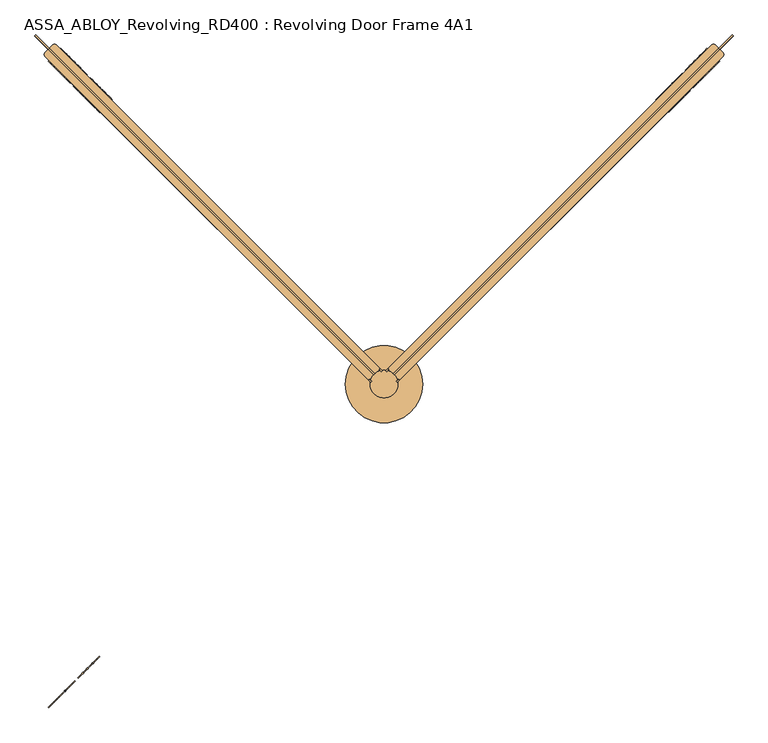
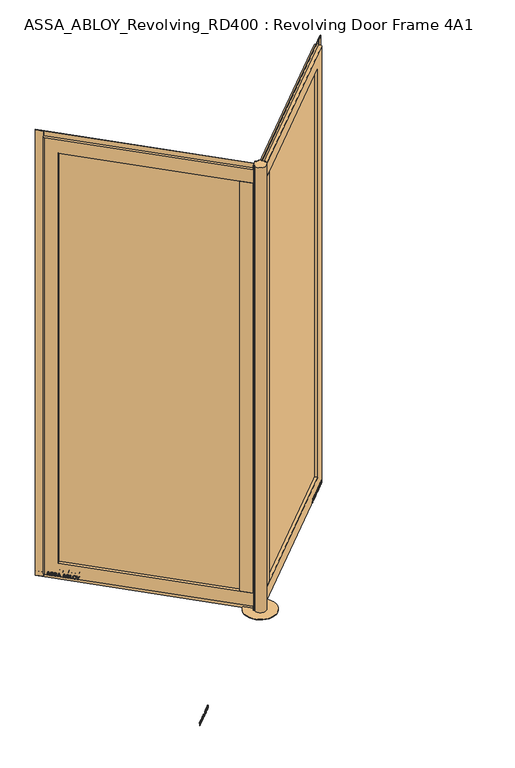
"""IFC4 building model written with IfcOpenShell, lengths in millimetres: door geometry, ASSA_ABLOY_Revolving_RD400 : Revolving Door Frame 4A1."""

from ifc_helpers import new_model, si_unit, point, frame, origin, origin_with_axes, origin_2d, place, context, project, spatial, polyline, circle_curve, trimmed, segment, composite_curve, outline, extrude, source, transform, mapped, element, save
from ifc_brep_helpers import plane_surface, cylinder_surface, advanced_brep


def assa_abloy_revolving_rd400_revolving_door_frame_4a1_31e0a1ad(model_context):
    return source(origin(), model_context, "Body", "SolidModel", [
        extrude(outline(polyline([(21.1919362, 0.0), (20.214336, -2.6529929), (14.2348715, -2.5853724), (11.2716326, -10.6269535), (15.8652682, -14.4554102), (14.8894584, -17.1035442), (-1.2354289, -3.3526834), (0.0, 0.0), (21.1919362, 0.0)]), holes=[polyline([(11.7626281, -2.5849675), (1.6611384, -2.5160752), (9.3848751, -9.0376682), (11.7626281, -2.5849675)])]), frame((-699.037246, -670.7529748, 47.8848654), z_axis=(-0.707106781186544, 0.7071067811865511, 0.0), x_axis=(-0.2444906386007998, -0.2444906386007974, -0.9383222555567716)), (0.0, 0.0, 1.0), 2.0),
        extrude(outline(polyline([(3.5121291, -1e-07), (5.4926863, -1.2764388), (6.787432, -3.3659464), (7.2092232, -6.1919012), (6.5093631, -9.6341389), (4.824798, -13.2083906), (2.5145629, -16.1570791), (-0.6567353, -15.0446471), (2.4447822, -12.1320668), (4.3562345, -8.7636201), (4.8029446, -4.7524081), (2.9863484, -2.6252693), (0.9295188, -2.6144294), (-0.6628891, -4.2207409), (-1.8238571, -6.2006453), (-3.0893834, -8.4786224), (-6.2388816, -11.6844271), (-9.9996043, -11.7673438), (-13.1300796, -8.3561656), (-12.7977466, -2.5981572), (-11.0920114, 1.0208016), (-9.0699596, 3.711135), (-6.0403681, 2.6484111), (-8.71119, 0.0484616), (-10.6514742, -3.4882218), (-11.0208469, -7.1616301), (-9.3614355, -9.1814983), (-7.3063201, -9.1972246), (-5.5118808, -7.3434952), (-4.250422, -5.1162245), (-2.8187321, -2.6852579), (0.0, 0.0), (3.5121291, -1e-07)])), frame((-715.8167419, -687.5324706, 36.999973), z_axis=(-0.7071067811865441, 0.7071067811865509, 0.0), x_axis=(-0.23405736617652956, -0.23405736617652728, -0.9436282629706536)), (0.0, 0.0, 1.0), 2.0),
        extrude(outline(polyline([(3.5121291, 0.0), (5.4926863, -1.2764387), (6.787432, -3.3659463), (7.2092232, -6.1919012), (6.5093631, -9.6341389), (4.8247981, -13.2083906), (2.5145629, -16.1570791), (-0.6567353, -15.0446471), (2.4447823, -12.1320668), (4.3562346, -8.76362), (4.8029446, -4.7524081), (2.9863484, -2.6252692), (0.9295188, -2.6144293), (-0.6628891, -4.2207408), (-1.8238571, -6.2006452), (-3.0893834, -8.4786223), (-6.2388815, -11.6844271), (-9.9996043, -11.7673438), (-13.1300796, -8.3561655), (-12.7977466, -2.5981571), (-11.0920114, 1.0208017), (-9.0699595, 3.711135), (-6.040368, 2.6484111), (-8.71119, 0.0484616), (-10.6514742, -3.4882217), (-11.0208469, -7.16163), (-9.3614355, -9.1814982), (-7.3063201, -9.1972245), (-5.5118807, -7.3434952), (-4.250422, -5.1162244), (-2.818732, -2.6852578), (0.0, 0.0), (3.5121291, 0.0)])), frame((-729.1744289, -700.8901576, 36.999973), z_axis=(-0.7071067811865441, 0.7071067811865509, 0.0), x_axis=(-0.23405736617652956, -0.23405736617652728, -0.9436282629706536)), (0.0, 0.0, 1.0), 2.0),
        extrude(outline(polyline([(21.1919362, 0.0), (20.214336, -2.6529929), (14.2348715, -2.5853724), (11.2716326, -10.6269535), (15.8652682, -14.4554102), (14.8894584, -17.1035442), (-1.2354289, -3.3526834), (0.0, 0.0), (21.1919362, 0.0)]), holes=[polyline([(11.7626281, -2.5849674), (1.6611384, -2.5160752), (9.3848751, -9.0376682), (11.7626281, -2.5849674)])]), frame((-739.1103071, -710.8260359, 47.8848654), z_axis=(-0.707106781186544, 0.7071067811865511, 0.0), x_axis=(-0.2444906386007998, -0.2444906386007974, -0.9383222555567716)), (0.0, 0.0, 1.0), 2.0),
        extrude(outline(polyline([(21.1919362, 0.0), (20.214336, -2.6529929), (14.2348715, -2.5853724), (11.2716326, -10.6269535), (15.8652682, -14.4554102), (14.8894584, -17.1035442), (-1.2354289, -3.3526834), (0.0, 0.0), (21.1919362, 0.0)]), holes=[polyline([(11.7626281, -2.5849674), (1.6611384, -2.5160752), (9.3848751, -9.0376682), (11.7626281, -2.5849674)])]), frame((-759.2640104, -730.9797391, 47.8848654), z_axis=(-0.707106781186544, 0.7071067811865511, 0.0), x_axis=(-0.2444906386007998, -0.2444906386007974, -0.9383222555567716)), (0.0, 0.0, 1.0), 2.0),
        extrude(outline(polyline([(3.6247797, 0.0), (5.9232413, -1.3859292), (7.2049821, -3.4426963), (7.5842828, -6.2202287), (6.8194358, -9.6251298), (4.5055294, -16.4081519), (-14.3144162, -9.9880648), (-12.3716711, -4.2930708), (-11.1479956, -1.1951534), (-9.8352432, 0.5920774), (-7.9241126, 1.6554025), (-5.7320771, 1.4410871), (-3.7068839, -0.0321766), (-2.8147562, -2.4211002), (0.0, 0.0), (3.6247797, 0.0)]), holes=[polyline([(-5.2214253, -2.9241786), (-9.3653605, -2.9303688), (-10.1960736, -5.1008932), (-11.2627443, -8.2277488), (-5.9304264, -10.0467735), (-4.7734732, -6.6552625), (-5.2214253, -2.9241786)]), polyline([(2.8765907, -2.5461079), (0.9746905, -2.291247), (-0.5832315, -3.1932876), (-1.5099769, -4.5787397), (-2.3470909, -6.7279308), (-3.734766, -10.7957837), (3.1658807, -13.1498156), (4.3362091, -9.7190963), (5.1175974, -6.8751817), (5.1102534, -4.8838351), (4.3679308, -3.4351117), (2.8765907, -2.5461079)])]), frame((-776.5067045, -748.2224333, 37.561824), z_axis=(-0.707106781186544, 0.7071067811865511, 0.0), x_axis=(-0.22829861010658514, -0.2282986101065829, -0.9464457138403681)), (0.0, 0.0, 1.0), 2.0),
        extrude(outline(polyline([(2.319901, 0.0), (2.319901, -12.5937481), (-17.5649644, -12.5937481), (-17.5649644, -9.9424327), (0.0, -9.9424327), (0.0, 0.0), (2.319901, 0.0)])), frame((-788.8171606, -760.5328894, 30.319901), z_axis=(-0.707106781186544, 0.707106781186551, 0.0), x_axis=(0.0, 0.0, -1.0)), (0.0, 0.0, 1.0), 2.0),
        extrude(outline(polyline([(3.4755123, 0.0), (6.8343334, -1.6217536), (9.8417791, -4.8358203), (11.7934803, -8.7947163), (12.1283676, -12.475947), (10.9175762, -15.7640054), (8.2007387, -18.4707048), (4.7147757, -20.0502835), (1.2097864, -20.048671), (-2.1257686, -18.4422905), (-5.1361655, -15.2239686), (-7.0812776, -11.3109182), (-7.4345587, -7.5668216), (-6.1998493, -4.2905332), (-3.5095376, -1.5864763), (0.0, 0.0), (3.4755123, 0.0)]), holes=[polyline([(7.6631689, -6.3468237), (2.8864763, -2.494471), (-2.1788995, -3.4868579), (-4.8960977, -7.8921765), (-2.9575554, -13.7129652), (1.8513939, -17.5618518), (6.8871209, -16.5585186), (9.5892894, -12.1951337), (7.6631689, -6.3468237)])]), frame((-799.1082186, -770.8239473, 47.5197917), z_axis=(-0.7071067811865441, 0.707106781186551, 0.0), x_axis=(-0.5810361129353561, -0.5810361129353504, -0.5699070721880464)), (0.0, 0.0, 1.0), 2.0),
        extrude(outline(polyline([(3.1691504, 0.0), (-4.1219669, -11.1645234), (-4.1219669, -19.8848654), (-6.7732823, -19.8848654), (-6.7732823, -11.4441543), (-14.0643996, 0.0), (-10.921141, 0.0), (-5.4320895, -8.8964059), (0.0, 0.0), (3.1691504, 0.0)])), frame((-813.9946431, -785.7103719, 47.8848654), z_axis=(-0.707106781186544, 0.707106781186551, 0.0), x_axis=(-0.707106781186551, -0.707106781186544, 0.0)), (0.0, 0.0, 1.0), 2.0),
        advanced_brep(
        [(37.4766594, 9.1923882, 28.0), (9.1923882, 37.4766594, 28.0), (796.2022356, 824.4865069, 28.0), (807.5159441, 824.4865069, 28.0), (824.4865069, 807.5159441, 28.0), (824.4865069, 796.2022356, 28.0), (37.4766594, 9.1923882, 110.0), (772.1606051, 743.8763338, 110.0), (743.8763338, 772.1606051, 110.0), (9.1923882, 37.4766594, 110.0), (9.1923882, 37.4766594, 2689.0), (37.4766594, 9.1923882, 2689.0), (37.4766594, 9.1923882, 2771.0), (9.1923882, 37.4766594, 2771.0), (743.8763338, 772.1606051, 2689.0), (772.1606051, 743.8763338, 2689.0), (807.5159441, 824.4865069, 2771.0), (824.4865069, 807.5159441, 2771.0), (824.4865069, 796.2022356, 2771.0), (796.2022356, 824.4865069, 2771.0)],
        [
            (0, 1),
            (1, 2),
            (2, 3, circle_curve(frame((801.8590899, 818.8296526, 28.0), z_axis=(0.0, 0.0, -1.0), x_axis=(0.7071067811865462, -0.7071067811865488, 0.0)), 8.0)),
            (3, 4),
            (4, 5, circle_curve(frame((818.8296526, 801.8590899, 28.0), z_axis=(0.0, 0.0, -1.0), x_axis=(0.7071067811865462, -0.7071067811865488, 0.0)), 8.0)),
            (5, 0),
            (6, 7),
            (7, 8),
            (8, 9),
            (9, 6),
            (10, 11),
            (11, 12),
            (12, 13),
            (13, 10),
            (10, 14),
            (14, 15),
            (15, 11),
            (7, 15),
            (14, 8),
            (16, 17),
            (17, 4),
            (3, 16),
            (17, 18, circle_curve(frame((818.8296526, 801.8590899, 2771.0), z_axis=(0.0, 0.0, -1.0), x_axis=(0.7071067811865462, -0.7071067811865488, 0.0)), 8.0)),
            (18, 5),
            (19, 16, circle_curve(frame((801.8590899, 818.8296526, 2771.0), z_axis=(0.0, 0.0, -1.0), x_axis=(0.7071067811865462, -0.7071067811865488, 0.0)), 8.0)),
            (2, 19),
            (6, 0),
            (18, 12),
            (1, 9),
            (13, 19),
        ],
        [
            plane_surface(frame((772.1606051, 743.8763338, 28.0), z_axis=(0.0, 0.0, -1.0), x_axis=(-0.7071067811865488, -0.7071067811865462, 0.0))),
            plane_surface(frame((743.8763338, 772.1606051, 110.0), z_axis=(0.0, 0.0, 1.0), x_axis=(-0.7071067811865488, -0.7071067811865462, 0.0))),
            plane_surface(frame((23.3345238, 23.3345238, 2771.0), z_axis=(-0.7071067811865488, -0.7071067811865462, 0.0), x_axis=(0.7071067811865462, -0.7071067811865488, 0.0))),
            plane_surface(frame((9.1923882, 37.4766594, 2689.0), z_axis=(0.0, 0.0, -1.0), x_axis=(0.7071067811865488, 0.7071067811865462, 0.0))),
            plane_surface(frame((743.8763338, 772.1606051, 2771.0), z_axis=(-0.7071067811865488, -0.7071067811865462, 0.0), x_axis=(0.0, 0.0, -1.0))),
            plane_surface(frame((824.4865069, 807.5159441, 2771.0), z_axis=(0.7071067811865488, 0.7071067811865462, 0.0), x_axis=(0.0, 0.0, -1.0))),
            cylinder_surface(frame((818.8296526, 801.8590899, 2771.0), z_axis=(0.0, 0.0, 1.0), x_axis=(0.7071067811865462, -0.7071067811865488, 0.0)), 8.0),
            cylinder_surface(frame((801.8590899, 818.8296526, 2771.0), z_axis=(0.0, 0.0, 1.0), x_axis=(0.7071067811865462, -0.7071067811865488, 0.0)), 8.0),
            plane_surface(frame((772.1606051, 743.8763338, 110.0), z_axis=(0.7071067811865462, -0.7071067811865488, 0.0), x_axis=(-0.7071067811865488, -0.7071067811865462, 0.0))),
            plane_surface(frame((743.8763338, 772.1606051, 28.0), z_axis=(-0.7071067811865462, 0.7071067811865488, 0.0), x_axis=(-0.7071067811865488, -0.7071067811865462, 0.0))),
            plane_surface(frame((23.3345238, 23.3345238, 28.0), z_axis=(-0.7071067811865488, -0.7071067811865462, 0.0), x_axis=(0.7071067811865462, -0.7071067811865488, 0.0))),
            plane_surface(frame((816.0012255, 816.0012255, 2771.0), z_axis=(0.0, 0.0, 1.0), x_axis=(0.7071067811865462, -0.7071067811865488, 0.0))),
        ],
        [
            (0, [[1, 2, 3, 4, 5, 6]]),
            (1, [[7, 8, 9, 10]]),
            (2, [[11, 12, 13, 14]]),
            (3, [[-11, 15, 16, 17]]),
            (4, [[-8, 18, -16, 19]]),
            (5, [[20, 21, -4, 22]]),
            (6, [[23, 24, -5, -21]]),
            (7, [[25, -22, -3, 26]]),
            (8, [[-7, 27, -6, -24, 28, -12, -17, -18]]),
            (9, [[29, -9, -19, -15, -14, 30, -26, -2]]),
            (10, [[-27, -10, -29, -1]]),
            (11, [[-28, -23, -20, -25, -30, -13]]),
        ],
    ),
        extrude(outline(polyline([(11.3137085, 35.3553391), (6.363961, 30.4055916), (4.2426407, 32.5269119), (9.1923882, 37.4766594), (11.3137085, 35.3553391)])), origin_with_axes(), (0.0, 0.0, 1.0), 2800.0),
        extrude(outline(polyline([(58.6898628, 86.9741341), (86.9741341, 58.6898628), (37.4766594, 9.1923882), (9.1923882, 37.4766594), (58.6898628, 86.9741341)])), frame((0.0, 0.0, 110.0), z_axis=(0.0, 0.0, 1.0), x_axis=(1.0, 0.0, 0.0)), (0.0, 0.0, 1.0), 2579.0),
        extrude(outline(polyline([(849.7655718, 847.290703), (817.2386599, 814.7637911), (814.7637911, 817.2386599), (847.290703, 849.7655718), (849.7655718, 847.290703)])), origin_with_axes(), (0.0, 0.0, 1.0), 2800.0),
        extrude(outline(polyline([(849.7655718, 847.290703), (24.5719582, 22.0970894), (22.0970894, 24.5719582), (847.290703, 849.7655718), (849.7655718, 847.290703)])), frame((0.0, 0.0, 2770.0), z_axis=(0.0, 0.0, 1.0), x_axis=(1.0, 0.0, 0.0)), (0.0, 0.0, 1.0), 30.0),
        extrude(outline(polyline([(30.4055916, 6.363961), (35.3553391, 11.3137085), (37.4766594, 9.1923882), (32.5269119, 4.2426407), (30.4055916, 6.363961)])), origin_with_axes(), (0.0, 0.0, 1.0), 2800.0),
        extrude(outline(polyline([(759.2559038, 756.781035), (74.0694329, 71.5945641), (71.5945641, 74.0694329), (756.781035, 759.2559038), (759.2559038, 756.781035)])), frame((0.0, 0.0, 110.0), z_axis=(0.0, 0.0, 1.0), x_axis=(1.0, 0.0, 0.0)), (0.0, 0.0, 1.0), 2579.0),
        extrude(outline(polyline([(849.7655718, 847.290703), (24.5719582, 22.0970894), (22.0970894, 24.5719582), (847.290703, 849.7655718), (849.7655718, 847.290703)])), frame((0.0, 0.0, -2.0), z_axis=(0.0, 0.0, 1.0), x_axis=(1.0, 0.0, 0.0)), (0.0, 0.0, 1.0), 30.0),
        extrude(outline(polyline([(21.1919362, 0.0), (20.214336, -2.6529929), (14.2348715, -2.5853724), (11.2716326, -10.6269535), (15.8652682, -14.4554102), (14.8894584, -17.1035442), (-1.2354289, -3.3526834), (0.0, 0.0), (21.1919362, 0.0)]), holes=[polyline([(11.7626281, -2.5849674), (1.6611384, -2.5160752), (9.3848751, -9.0376682), (11.7626281, -2.5849674)])]), frame((779.7748426, 808.0591139, 47.8848654), z_axis=(-0.7071067811865371, 0.7071067811865581, 0.0), x_axis=(-0.24449063860080214, -0.24449063860079487, -0.9383222555567717)), (0.0, 0.0, 1.0), 2.0),
        extrude(outline(polyline([(3.5121291, 0.0), (5.4926863, -1.2764387), (6.787432, -3.3659463), (7.2092232, -6.1919012), (6.5093631, -9.6341389), (4.8247981, -13.2083906), (2.5145629, -16.1570791), (-0.6567353, -15.0446471), (2.4447823, -12.1320668), (4.3562346, -8.76362), (4.8029446, -4.7524081), (2.9863484, -2.6252692), (0.9295188, -2.6144293), (-0.6628891, -4.2207408), (-1.8238571, -6.2006452), (-3.0893834, -8.4786223), (-6.2388815, -11.6844271), (-9.9996043, -11.7673438), (-13.1300796, -8.3561655), (-12.7977466, -2.5981571), (-11.0920114, 1.0208017), (-9.0699596, 3.711135), (-6.0403681, 2.6484111), (-8.71119, 0.0484616), (-10.6514742, -3.4882218), (-11.0208469, -7.16163), (-9.3614355, -9.1814982), (-7.3063201, -9.1972245), (-5.5118808, -7.3434952), (-4.250422, -5.1162245), (-2.8187321, -2.6852579), (0.0, 0.0), (3.5121291, 0.0)])), frame((762.9953468, 791.279618, 36.999973), z_axis=(-0.707106781186537, 0.707106781186558, 0.0), x_axis=(-0.2340573661765319, -0.23405736617652495, -0.9436282629706536)), (0.0, 0.0, 1.0), 2.0),
        extrude(outline(polyline([(3.5121291, 0.0), (5.4926863, -1.2764387), (6.787432, -3.3659464), (7.2092232, -6.1919012), (6.5093631, -9.6341389), (4.824798, -13.2083906), (2.5145629, -16.1570791), (-0.6567353, -15.0446471), (2.4447822, -12.1320668), (4.3562345, -8.7636201), (4.8029446, -4.7524081), (2.9863484, -2.6252692), (0.9295188, -2.6144293), (-0.6628891, -4.2207408), (-1.8238571, -6.2006452), (-3.0893834, -8.4786223), (-6.2388815, -11.6844271), (-9.9996043, -11.7673438), (-13.1300796, -8.3561656), (-12.7977466, -2.5981571), (-11.0920114, 1.0208017), (-9.0699596, 3.711135), (-6.0403681, 2.6484111), (-8.71119, 0.0484616), (-10.6514742, -3.4882218), (-11.0208469, -7.1616301), (-9.3614355, -9.1814982), (-7.3063201, -9.1972245), (-5.5118808, -7.3434952), (-4.250422, -5.1162245), (-2.8187321, -2.6852579), (0.0, 0.0), (3.5121291, 0.0)])), frame((749.6376597, 777.921931, 36.999973), z_axis=(-0.7071067811865371, 0.707106781186558, 0.0), x_axis=(-0.23405736617653797, -0.23405736617653103, -0.9436282629706506)), (0.0, 0.0, 1.0), 2.0),
        extrude(outline(polyline([(21.1919362, 0.0), (20.214336, -2.6529929), (14.2348715, -2.5853724), (11.2716326, -10.6269535), (15.8652682, -14.4554102), (14.8894584, -17.1035442), (-1.2354289, -3.3526834), (0.0, 0.0), (21.1919362, 0.0)]), holes=[polyline([(11.7626281, -2.5849674), (1.6611384, -2.5160752), (9.3848751, -9.0376682), (11.7626281, -2.5849674)])]), frame((739.7017815, 767.9860527, 47.8848654), z_axis=(-0.7071067811865371, 0.7071067811865581, 0.0), x_axis=(-0.24449063860080214, -0.24449063860079487, -0.9383222555567717)), (0.0, 0.0, 1.0), 2.0),
        extrude(outline(polyline([(21.1919362, 0.0), (20.214336, -2.6529929), (14.2348715, -2.5853724), (11.2716326, -10.6269535), (15.8652682, -14.4554102), (14.8894584, -17.1035442), (-1.2354289, -3.3526834), (0.0, 0.0), (21.1919362, 0.0)]), holes=[polyline([(11.7626281, -2.5849674), (1.6611384, -2.5160752), (9.3848751, -9.0376682), (11.7626281, -2.5849674)])]), frame((719.5480782, 747.8323495, 47.8848654), z_axis=(-0.7071067811865371, 0.7071067811865581, 0.0), x_axis=(-0.24449063860080214, -0.24449063860079487, -0.9383222555567717)), (0.0, 0.0, 1.0), 2.0),
        extrude(outline(polyline([(3.6247797, 0.0), (5.9232413, -1.3859292), (7.2049821, -3.4426963), (7.5842828, -6.2202288), (6.8194358, -9.6251298), (4.5055294, -16.4081519), (-14.3144162, -9.9880648), (-12.3716711, -4.2930708), (-11.1479956, -1.1951535), (-9.8352433, 0.5920773), (-7.9241126, 1.6554025), (-5.7320771, 1.441087), (-3.7068839, -0.0321766), (-2.8147562, -2.4211002), (0.0, 0.0), (3.6247797, 0.0)]), holes=[polyline([(-5.2214253, -2.9241787), (-9.3653605, -2.9303688), (-10.1960736, -5.1008933), (-11.2627443, -8.2277488), (-5.9304264, -10.0467735), (-4.7734732, -6.6552625), (-5.2214253, -2.9241787)]), polyline([(2.8765907, -2.5461079), (0.9746905, -2.291247), (-0.5832315, -3.1932876), (-1.5099769, -4.5787397), (-2.3470909, -6.7279308), (-3.734766, -10.7957837), (3.1658807, -13.1498156), (4.3362091, -9.7190964), (5.1175974, -6.8751817), (5.1102534, -4.8838351), (4.3679308, -3.4351117), (2.8765907, -2.5461079)])]), frame((702.3053841, 730.5896553, 37.561824), z_axis=(-0.7071067811865371, 0.7071067811865581, 0.0), x_axis=(-0.22829861010658742, -0.22829861010658065, -0.9464457138403681)), (0.0, 0.0, 1.0), 2.0),
        extrude(outline(polyline([(2.319901, 0.0), (2.319901, -12.5937481), (-17.5649644, -12.5937481), (-17.5649644, -9.9424327), (0.0, -9.9424327), (0.0, 0.0), (2.319901, 0.0)])), frame((689.994928, 718.2791992, 30.319901), z_axis=(-0.707106781186537, 0.707106781186558, 0.0), x_axis=(0.0, 0.0, -1.0)), (0.0, 0.0, 1.0), 2.0),
        extrude(outline(polyline([(3.4755123, 0.0), (6.8343334, -1.6217536), (9.8417791, -4.8358203), (11.7934802, -8.7947164), (12.1283676, -12.475947), (10.9175762, -15.7640054), (8.2007386, -18.4707048), (4.7147757, -20.0502835), (1.2097864, -20.048671), (-2.1257686, -18.4422905), (-5.1361656, -15.2239687), (-7.0812776, -11.3109182), (-7.4345587, -7.5668216), (-6.1998493, -4.2905332), (-3.5095377, -1.5864764), (0.0, 0.0), (3.4755123, 0.0)]), holes=[polyline([(7.6631689, -6.3468237), (2.8864763, -2.494471), (-2.1788995, -3.4868579), (-4.8960978, -7.8921765), (-2.9575554, -13.7129653), (1.8513938, -17.5618518), (6.8871209, -16.5585186), (9.5892893, -12.1951337), (7.6631689, -6.3468237)])]), frame((679.70387, 707.9881413, 47.5197917), z_axis=(-0.7071067811865371, 0.7071067811865581, 0.0), x_axis=(-0.5810361129353604, -0.5810361129353432, -0.5699070721880493)), (0.0, 0.0, 1.0), 2.0),
        extrude(outline(polyline([(3.1691505, 0.0), (-4.1219669, -11.1645234), (-4.1219669, -19.8848654), (-6.7732822, -19.8848654), (-6.7732822, -11.4441543), (-14.0643996, 0.0), (-10.9211409, 0.0), (-5.4320895, -8.8964059), (0.0, 0.0), (3.1691505, 0.0)])), frame((664.8174455, 693.1017168, 47.8848654), z_axis=(-0.707106781186537, 0.707106781186558, 0.0), x_axis=(-0.707106781186558, -0.707106781186537, 0.0)), (0.0, 0.0, 1.0), 2.0),
        extrude(outline(polyline([(-21.1919362, 0.0), (0.0, 0.0), (1.2354289, -3.3526834), (-14.8894584, -17.1035442), (-15.8652682, -14.4554102), (-11.2716326, -10.6269536), (-14.2348715, -2.5853724), (-20.2143359, -2.652993), (-21.1919362, 0.0)]), holes=[polyline([(-11.7626281, -2.5849674), (-9.3848751, -9.0376682), (-1.6611384, -2.5160752), (-11.7626281, -2.5849674)])]), frame((700.4514596, 669.3387612, 47.8848654), z_axis=(-0.7071067811865417, 0.7071067811865535, 0.0), x_axis=(-0.24449063860080064, -0.24449063860079653, 0.9383222555567716)), (0.0, 0.0, 1.0), 2.0),
        extrude(outline(polyline([(-3.5121291, 0.0), (0.0, 0.0), (2.818732, -2.6852578), (4.250422, -5.1162244), (5.5118807, -7.3434952), (7.3063201, -9.1972245), (9.3614355, -9.1814982), (11.0208469, -7.16163), (10.6514742, -3.4882217), (8.71119, 0.0484616), (6.0403681, 2.6484111), (9.0699596, 3.711135), (11.0920114, 1.0208017), (12.7977466, -2.5981571), (13.1300796, -8.3561655), (9.9996043, -11.7673438), (6.2388815, -11.6844271), (3.0893834, -8.4786223), (1.8238571, -6.2006452), (0.6628891, -4.2207408), (-0.9295188, -2.6144293), (-2.9863484, -2.6252692), (-4.8029446, -4.7524081), (-4.3562346, -8.76362), (-2.4447823, -12.1320668), (0.6567353, -15.0446471), (-2.5145629, -16.1570791), (-4.8247981, -13.2083906), (-6.5093631, -9.6341389), (-7.2092232, -6.1919011), (-6.787432, -3.3659463), (-5.4926863, -1.2764387), (-3.5121291, 0.0)])), frame((717.2309554, 686.118257, 36.999973), z_axis=(-0.7071067811865417, 0.7071067811865535, 0.0), x_axis=(-0.23405736617653036, -0.23405736617652648, 0.9436282629706536)), (0.0, 0.0, 1.0), 2.0),
        extrude(outline(polyline([(-3.5121291, -1e-07), (0.0, 0.0), (2.8187321, -2.685258), (4.250422, -5.1162245), (5.5118808, -7.3434952), (7.3063201, -9.1972246), (9.3614355, -9.1814982), (11.0208469, -7.1616301), (10.6514742, -3.4882219), (8.71119, 0.0484616), (6.0403681, 2.6484111), (9.0699596, 3.711135), (11.0920114, 1.0208016), (12.7977466, -2.5981572), (13.1300796, -8.3561656), (9.9996043, -11.7673438), (6.2388816, -11.6844271), (3.0893834, -8.4786224), (1.8238571, -6.2006453), (0.6628891, -4.2207409), (-0.9295188, -2.6144294), (-2.9863484, -2.6252693), (-4.8029446, -4.7524081), (-4.3562345, -8.7636201), (-2.4447822, -12.1320668), (0.6567353, -15.0446471), (-2.5145629, -16.1570791), (-4.824798, -13.2083906), (-6.5093631, -9.6341389), (-7.2092232, -6.1919012), (-6.787432, -3.3659464), (-5.4926863, -1.2764388), (-3.5121291, -1e-07)])), frame((730.5886425, 699.4759441, 36.999973), z_axis=(-0.7071067811865417, 0.7071067811865535, 0.0), x_axis=(-0.23405736617653036, -0.23405736617652648, 0.9436282629706536)), (0.0, 0.0, 1.0), 2.0),
        extrude(outline(polyline([(-21.1919362, 0.0), (0.0, 0.0), (1.2354289, -3.3526834), (-14.8894584, -17.1035441), (-15.8652682, -14.4554102), (-11.2716326, -10.6269535), (-14.2348715, -2.5853724), (-20.214336, -2.6529929), (-21.1919362, 0.0)]), holes=[polyline([(-11.7626281, -2.5849674), (-9.3848751, -9.0376682), (-1.6611384, -2.5160752), (-11.7626281, -2.5849674)])]), frame((740.5245207, 709.4118223, 47.8848654), z_axis=(-0.7071067811865417, 0.7071067811865535, 0.0), x_axis=(-0.24449063860080064, -0.24449063860079653, 0.9383222555567716)), (0.0, 0.0, 1.0), 2.0),
        extrude(outline(polyline([(-21.1919362, 0.0), (0.0, 0.0), (1.2354289, -3.3526834), (-14.8894584, -17.1035442), (-15.8652682, -14.4554102), (-11.2716326, -10.6269535), (-14.2348715, -2.5853724), (-20.214336, -2.6529929), (-21.1919362, 0.0)]), holes=[polyline([(-11.7626281, -2.5849674), (-9.3848751, -9.0376682), (-1.6611384, -2.5160752), (-11.7626281, -2.5849674)])]), frame((760.6782239, 729.5655256, 47.8848654), z_axis=(-0.7071067811865417, 0.7071067811865535, 0.0), x_axis=(-0.24449063860080064, -0.24449063860079653, 0.9383222555567716)), (0.0, 0.0, 1.0), 2.0),
        extrude(outline(polyline([(-3.6247797, 0.0), (0.0, 0.0), (2.8147562, -2.4211002), (3.7068839, -0.0321766), (5.7320771, 1.441087), (7.9241126, 1.6554025), (9.8352432, 0.5920774), (11.1479956, -1.1951534), (12.3716711, -4.2930708), (14.3144162, -9.9880647), (-4.5055294, -16.4081518), (-6.8194358, -9.6251298), (-7.5842828, -6.2202288), (-7.2049821, -3.4426963), (-5.9232413, -1.3859292), (-3.6247797, 0.0)]), holes=[polyline([(5.2214253, -2.9241786), (4.7734732, -6.6552625), (5.9304264, -10.0467735), (11.2627443, -8.2277488), (10.1960736, -5.1008932), (9.3653605, -2.9303687), (5.2214253, -2.9241786)]), polyline([(-2.8765907, -2.5461078), (-4.3679308, -3.4351117), (-5.1102534, -4.8838351), (-5.1175974, -6.8751817), (-4.3362091, -9.7190964), (-3.1658807, -13.1498156), (3.734766, -10.7957836), (2.3470909, -6.7279308), (1.5099769, -4.5787396), (0.5832315, -3.1932876), (-0.9746905, -2.291247), (-2.8765907, -2.5461078)])]), frame((777.9209181, 746.8082197, 37.561824), z_axis=(-0.7071067811865416, 0.7071067811865536, 0.0), x_axis=(-0.22829861010658595, -0.22829861010658212, 0.9464457138403681)), (0.0, 0.0, 1.0), 2.0),
        extrude(outline(polyline([(-2.319901, 0.0), (0.0, 0.0), (0.0, -9.9424327), (17.5649644, -9.9424327), (17.5649644, -12.5937481), (-2.319901, -12.5937481), (-2.319901, 0.0)])), frame((790.2313742, 759.1186758, 30.319901), z_axis=(-0.7071067811865416, 0.7071067811865535, 0.0), x_axis=(0.0, 0.0, 1.0)), (0.0, 0.0, 1.0), 2.0),
        extrude(outline(polyline([(-3.4755122, 0.0), (0.0, 0.0), (3.5095377, -1.5864764), (6.1998494, -4.2905332), (7.4345588, -7.5668217), (7.0812777, -11.3109182), (5.1361656, -15.2239687), (2.1257687, -18.4422905), (-1.2097864, -20.0486711), (-4.7147757, -20.0502836), (-8.2007386, -18.4707048), (-10.9175762, -15.7640054), (-12.1283676, -12.475947), (-11.7934801, -8.7947164), (-9.841779, -4.8358204), (-6.8343334, -1.6217536), (-3.4755122, 0.0)]), holes=[polyline([(-7.6631689, -6.3468238), (-9.5892893, -12.1951337), (-6.8871208, -16.5585187), (-1.8513938, -17.5618518), (2.9575555, -13.7129653), (4.8960978, -7.8921765), (2.1788995, -3.4868579), (-2.8864762, -2.4944711), (-7.6631689, -6.3468238)])]), frame((800.5224322, 769.4097338, 47.5197917), z_axis=(-0.7071067811865417, 0.7071067811865536, 0.0), x_axis=(-0.5810361129353581, -0.5810361129353484, 0.5699070721880464)), (0.0, 0.0, 1.0), 2.0),
        extrude(outline(polyline([(-3.1691504, 0.0), (0.0, 0.0), (5.4320895, -8.8964059), (10.9211409, 0.0), (14.0643996, 0.0), (6.7732823, -11.4441543), (6.7732823, -19.8848654), (4.1219669, -19.8848654), (4.1219669, -11.1645234), (-3.1691504, 0.0)])), frame((815.4088567, 784.2961583, 47.8848654), z_axis=(-0.7071067811865416, 0.7071067811865535, 0.0), x_axis=(-0.7071067811865535, -0.7071067811865416, 0.0)), (0.0, 0.0, 1.0), 2.0),
        advanced_brep(
        [(-9.1923882, 37.4766594, 28.0), (-37.4766594, 9.1923882, 28.0), (-824.4865069, 796.2022356, 28.0), (-824.4865069, 807.5159441, 28.0), (-807.5159441, 824.4865069, 28.0), (-796.2022356, 824.4865069, 28.0), (-9.1923882, 37.4766594, 110.0), (-743.8763338, 772.1606051, 110.0), (-772.1606051, 743.8763338, 110.0), (-37.4766594, 9.1923882, 110.0), (-37.4766594, 9.1923882, 2689.0), (-9.1923882, 37.4766594, 2689.0), (-9.1923882, 37.4766594, 2771.0), (-37.4766594, 9.1923882, 2771.0), (-772.1606051, 743.8763338, 2689.0), (-743.8763338, 772.1606051, 2689.0), (-824.4865069, 807.5159441, 2771.0), (-807.5159441, 824.4865069, 2771.0), (-796.2022356, 824.4865069, 2771.0), (-824.4865069, 796.2022356, 2771.0)],
        [
            (0, 1),
            (1, 2),
            (2, 3, circle_curve(frame((-818.8296526, 801.8590899, 28.0), z_axis=(0.0, 0.0, -1.0), x_axis=(0.7071067811865476, 0.7071067811865475, 0.0)), 8.0)),
            (3, 4),
            (4, 5, circle_curve(frame((-801.8590899, 818.8296526, 28.0), z_axis=(0.0, 0.0, -1.0), x_axis=(0.7071067811865476, 0.7071067811865475, 0.0)), 8.0)),
            (5, 0),
            (6, 7),
            (7, 8),
            (8, 9),
            (9, 6),
            (10, 11),
            (11, 12),
            (12, 13),
            (13, 10),
            (10, 14),
            (14, 15),
            (15, 11),
            (7, 15),
            (14, 8),
            (16, 17),
            (17, 4),
            (3, 16),
            (17, 18, circle_curve(frame((-801.8590899, 818.8296526, 2771.0), z_axis=(0.0, 0.0, -1.0), x_axis=(0.7071067811865476, 0.7071067811865475, 0.0)), 8.0)),
            (18, 5),
            (19, 16, circle_curve(frame((-818.8296526, 801.8590899, 2771.0), z_axis=(0.0, 0.0, -1.0), x_axis=(0.7071067811865476, 0.7071067811865475, 0.0)), 8.0)),
            (2, 19),
            (6, 0),
            (18, 12),
            (1, 9),
            (13, 19),
        ],
        [
            plane_surface(frame((-743.8763338, 772.1606051, 28.0), z_axis=(0.0, 0.0, -1.0), x_axis=(0.7071067811865475, -0.7071067811865476, 0.0))),
            plane_surface(frame((-772.1606051, 743.8763338, 110.0), z_axis=(0.0, 0.0, 1.0), x_axis=(0.7071067811865475, -0.7071067811865476, 0.0))),
            plane_surface(frame((-23.3345238, 23.3345238, 2771.0), z_axis=(0.7071067811865475, -0.7071067811865476, 0.0), x_axis=(0.7071067811865476, 0.7071067811865475, 0.0))),
            plane_surface(frame((-37.4766594, 9.1923882, 2689.0), z_axis=(0.0, 0.0, -1.0), x_axis=(-0.7071067811865475, 0.7071067811865476, 0.0))),
            plane_surface(frame((-772.1606051, 743.8763338, 2771.0), z_axis=(0.7071067811865475, -0.7071067811865476, 0.0), x_axis=(0.0, 0.0, -1.0))),
            plane_surface(frame((-807.5159441, 824.4865069, 2771.0), z_axis=(-0.7071067811865475, 0.7071067811865476, 0.0), x_axis=(0.0, 0.0, -1.0))),
            cylinder_surface(frame((-801.8590899, 818.8296526, 2771.0), z_axis=(0.0, 0.0, 1.0), x_axis=(0.7071067811865476, 0.7071067811865475, 0.0)), 8.0),
            cylinder_surface(frame((-818.8296526, 801.8590899, 2771.0), z_axis=(0.0, 0.0, 1.0), x_axis=(0.7071067811865476, 0.7071067811865475, 0.0)), 8.0),
            plane_surface(frame((-743.8763338, 772.1606051, 110.0), z_axis=(0.7071067811865476, 0.7071067811865475, 0.0), x_axis=(0.7071067811865475, -0.7071067811865476, 0.0))),
            plane_surface(frame((-772.1606051, 743.8763338, 28.0), z_axis=(-0.7071067811865476, -0.7071067811865475, 0.0), x_axis=(0.7071067811865475, -0.7071067811865476, 0.0))),
            plane_surface(frame((-23.3345238, 23.3345238, 28.0), z_axis=(0.7071067811865475, -0.7071067811865476, 0.0), x_axis=(0.7071067811865476, 0.7071067811865475, 0.0))),
            plane_surface(frame((-816.0012255, 816.0012255, 2771.0), z_axis=(0.0, 0.0, 1.0), x_axis=(0.7071067811865476, 0.7071067811865475, 0.0))),
        ],
        [
            (0, [[1, 2, 3, 4, 5, 6]]),
            (1, [[7, 8, 9, 10]]),
            (2, [[11, 12, 13, 14]]),
            (3, [[-11, 15, 16, 17]]),
            (4, [[-8, 18, -16, 19]]),
            (5, [[20, 21, -4, 22]]),
            (6, [[23, 24, -5, -21]]),
            (7, [[25, -22, -3, 26]]),
            (8, [[-7, 27, -6, -24, 28, -12, -17, -18]]),
            (9, [[29, -9, -19, -15, -14, 30, -26, -2]]),
            (10, [[-27, -10, -29, -1]]),
            (11, [[-28, -23, -20, -25, -30, -13]]),
        ],
    ),
        extrude(outline(polyline([(-35.3553391, 11.3137085), (-30.4055916, 6.363961), (-32.5269119, 4.2426407), (-37.4766594, 9.1923882), (-35.3553391, 11.3137085)])), origin_with_axes(), (0.0, 0.0, 1.0), 2800.0),
        extrude(outline(polyline([(-86.9741341, 58.6898628), (-58.6898628, 86.9741341), (-9.1923882, 37.4766594), (-37.4766594, 9.1923882), (-86.9741341, 58.6898628)])), frame((0.0, 0.0, 110.0), z_axis=(0.0, 0.0, 1.0), x_axis=(1.0, 0.0, 0.0)), (0.0, 0.0, 1.0), 2579.0),
        extrude(outline(polyline([(-847.290703, 849.7655718), (-814.7637911, 817.2386599), (-817.2386599, 814.7637911), (-849.7655718, 847.290703), (-847.290703, 849.7655718)])), origin_with_axes(), (0.0, 0.0, 1.0), 2800.0),
        extrude(outline(polyline([(-847.290703, 849.7655718), (-22.0970894, 24.5719582), (-24.5719582, 22.0970894), (-849.7655718, 847.290703), (-847.290703, 849.7655718)])), frame((0.0, 0.0, 2770.0), z_axis=(0.0, 0.0, 1.0), x_axis=(1.0, 0.0, 0.0)), (0.0, 0.0, 1.0), 30.0),
        extrude(outline(polyline([(-6.363961, 30.4055916), (-11.3137085, 35.3553391), (-9.1923882, 37.4766594), (-4.2426407, 32.5269119), (-6.363961, 30.4055916)])), origin_with_axes(), (0.0, 0.0, 1.0), 2800.0),
        extrude(outline(polyline([(-756.781035, 759.2559038), (-71.5945641, 74.0694329), (-74.0694329, 71.5945641), (-759.2559038, 756.781035), (-756.781035, 759.2559038)])), frame((0.0, 0.0, 110.0), z_axis=(0.0, 0.0, 1.0), x_axis=(1.0, 0.0, 0.0)), (0.0, 0.0, 1.0), 2579.0),
        extrude(outline(polyline([(-847.290703, 849.7655718), (-22.0970894, 24.5719582), (-24.5719582, 22.0970894), (-849.7655718, 847.290703), (-847.290703, 849.7655718)])), frame((0.0, 0.0, -2.0), z_axis=(0.0, 0.0, 1.0), x_axis=(1.0, 0.0, 0.0)), (0.0, 0.0, 1.0), 30.0),
        extrude(outline(polyline([(-21.1919362, 0.0), (0.0, 0.0), (1.2354289, -3.3526834), (-14.8894584, -17.1035442), (-15.8652682, -14.4554102), (-11.2716326, -10.6269535), (-14.2348715, -2.5853724), (-20.214336, -2.6529929), (-21.1919362, 0.0)]), holes=[polyline([(-11.7626281, -2.5849674), (-9.3848751, -9.0376682), (-1.6611384, -2.5160752), (-11.7626281, -2.5849674)])]), frame((-809.4733274, 778.3606291, 47.8848654), z_axis=(0.7071067811865569, 0.7071067811865384, 0.0), x_axis=(-0.2444906386007953, 0.24449063860080172, 0.9383222555567717)), (0.0, 0.0, 1.0), 2.0),
        extrude(outline(polyline([(-3.5121291, 0.0), (0.0, 0.0), (2.818732, -2.6852578), (4.250422, -5.1162245), (5.5118808, -7.3434952), (7.3063201, -9.1972245), (9.3614355, -9.1814982), (11.0208469, -7.1616301), (10.6514742, -3.4882217), (8.71119, 0.0484616), (6.0403681, 2.6484111), (9.0699596, 3.711135), (11.0920114, 1.0208017), (12.7977466, -2.5981571), (13.1300796, -8.3561655), (9.9996043, -11.7673438), (6.2388816, -11.6844271), (3.0893834, -8.4786223), (1.8238571, -6.2006452), (0.6628891, -4.2207408), (-0.9295188, -2.6144293), (-2.9863484, -2.6252692), (-4.8029446, -4.7524081), (-4.3562346, -8.76362), (-2.4447822, -12.1320668), (0.6567353, -15.0446471), (-2.5145629, -16.1570791), (-4.8247981, -13.2083906), (-6.5093631, -9.6341389), (-7.2092232, -6.1919012), (-6.787432, -3.3659464), (-5.4926863, -1.2764387), (-3.5121291, 0.0)])), frame((-792.6938316, 761.5811332, 36.999973), z_axis=(0.7071067811865569, 0.7071067811865384, 0.0), x_axis=(-0.23405736617652534, 0.23405736617653147, 0.9436282629706536)), (0.0, 0.0, 1.0), 2.0),
        extrude(outline(polyline([(-3.5121291, -1e-07), (0.0, 0.0), (2.8187321, -2.6852579), (4.250422, -5.1162245), (5.5118808, -7.3434952), (7.3063201, -9.1972245), (9.3614355, -9.1814982), (11.0208469, -7.16163), (10.6514742, -3.4882218), (8.71119, 0.0484616), (6.0403681, 2.6484111), (9.0699596, 3.711135), (11.0920114, 1.0208017), (12.7977466, -2.5981571), (13.1300796, -8.3561656), (9.9996043, -11.7673438), (6.2388815, -11.6844271), (3.0893834, -8.4786224), (1.8238571, -6.2006452), (0.6628891, -4.2207408), (-0.9295188, -2.6144293), (-2.9863484, -2.6252693), (-4.8029446, -4.7524081), (-4.3562345, -8.7636201), (-2.4447823, -12.1320668), (0.6567353, -15.0446471), (-2.5145629, -16.1570791), (-4.824798, -13.2083906), (-6.5093631, -9.6341389), (-7.2092232, -6.1919012), (-6.787432, -3.3659463), (-5.4926863, -1.2764387), (-3.5121291, -1e-07)])), frame((-779.3361445, 748.2234462, 36.999973), z_axis=(0.7071067811865568, 0.7071067811865384, 0.0), x_axis=(-0.23405736617653142, 0.23405736617653758, 0.9436282629706506)), (0.0, 0.0, 1.0), 2.0),
        extrude(outline(polyline([(-21.1919362, 0.0), (0.0, 0.0), (1.2354289, -3.3526834), (-14.8894584, -17.1035442), (-15.8652682, -14.4554102), (-11.2716326, -10.6269535), (-14.2348715, -2.5853724), (-20.2143359, -2.652993), (-21.1919362, 0.0)]), holes=[polyline([(-11.7626281, -2.5849674), (-9.3848751, -9.0376682), (-1.6611384, -2.5160752), (-11.7626281, -2.5849674)])]), frame((-769.4002663, 738.2875679, 47.8848654), z_axis=(0.7071067811865569, 0.7071067811865384, 0.0), x_axis=(-0.2444906386007953, 0.24449063860080172, 0.9383222555567717)), (0.0, 0.0, 1.0), 2.0),
        extrude(outline(polyline([(-21.1919362, 0.0), (0.0, 0.0), (1.2354289, -3.3526834), (-14.8894584, -17.1035442), (-15.8652682, -14.4554102), (-11.2716326, -10.6269535), (-14.2348715, -2.5853724), (-20.214336, -2.6529929), (-21.1919362, 0.0)]), holes=[polyline([(-11.7626281, -2.5849675), (-9.3848751, -9.0376682), (-1.6611384, -2.5160752), (-11.7626281, -2.5849675)])]), frame((-749.246563, 718.1338647, 47.8848654), z_axis=(0.7071067811865569, 0.7071067811865384, 0.0), x_axis=(-0.2444906386007953, 0.24449063860080172, 0.9383222555567717)), (0.0, 0.0, 1.0), 2.0),
        extrude(outline(polyline([(-3.6247797, 0.0), (0.0, 0.0), (2.8147562, -2.4211002), (3.7068839, -0.0321767), (5.7320771, 1.441087), (7.9241126, 1.6554025), (9.8352433, 0.5920773), (11.1479956, -1.1951535), (12.3716711, -4.2930708), (14.3144162, -9.9880648), (-4.5055294, -16.4081519), (-6.8194358, -9.6251298), (-7.5842828, -6.2202288), (-7.2049821, -3.4426963), (-5.9232413, -1.3859292), (-3.6247797, 0.0)]), holes=[polyline([(5.2214253, -2.9241787), (4.7734732, -6.6552625), (5.9304264, -10.0467735), (11.2627443, -8.2277488), (10.1960736, -5.1008933), (9.3653605, -2.9303688), (5.2214253, -2.9241787)]), polyline([(-2.8765907, -2.5461079), (-4.3679308, -3.4351117), (-5.1102534, -4.8838351), (-5.1175974, -6.8751817), (-4.3362091, -9.7190964), (-3.1658807, -13.1498156), (3.734766, -10.7957837), (2.3470909, -6.7279308), (1.5099769, -4.5787397), (0.5832315, -3.1932876), (-0.9746905, -2.291247), (-2.8765907, -2.5461079)])]), frame((-732.0038689, 700.8911705, 37.561824), z_axis=(0.7071067811865568, 0.7071067811865385, 0.0), x_axis=(-0.22829861010658103, 0.228298610106587, 0.9464457138403681)), (0.0, 0.0, 1.0), 2.0),
        extrude(outline(polyline([(-2.319901, 0.0), (0.0, 0.0), (0.0, -9.9424327), (17.5649644, -9.9424327), (17.5649644, -12.5937481), (-2.319901, -12.5937481), (-2.319901, 0.0)])), frame((-719.6934128, 688.5807144, 30.319901), z_axis=(0.7071067811865568, 0.7071067811865382, 0.0), x_axis=(0.0, 0.0, 1.0)), (0.0, 0.0, 1.0), 2.0),
        extrude(outline(polyline([(-3.4755123, 0.0), (0.0, 0.0), (3.5095377, -1.5864764), (6.1998493, -4.2905332), (7.4345588, -7.5668217), (7.0812776, -11.3109182), (5.1361656, -15.2239687), (2.1257686, -18.4422905), (-1.2097864, -20.0486711), (-4.7147757, -20.0502835), (-8.2007386, -18.4707048), (-10.9175762, -15.7640054), (-12.1283676, -12.475947), (-11.7934802, -8.7947164), (-9.8417791, -4.8358203), (-6.8343334, -1.6217536), (-3.4755123, 0.0)]), holes=[polyline([(-7.6631689, -6.3468237), (-9.5892893, -12.1951337), (-6.8871209, -16.5585186), (-1.8513938, -17.5618518), (2.9575554, -13.7129653), (4.8960978, -7.8921765), (2.1788995, -3.4868579), (-2.8864763, -2.494471), (-7.6631689, -6.3468237)])]), frame((-709.4023548, 678.2896565, 47.5197917), z_axis=(0.7071067811865569, 0.7071067811865384, 0.0), x_axis=(-0.5810361129353442, 0.5810361129353594, 0.5699070721880493)), (0.0, 0.0, 1.0), 2.0),
        extrude(outline(polyline([(-3.1691503, 0.0), (0.0, 0.0), (5.4320896, -8.8964059), (10.921141, 0.0), (14.0643997, 0.0), (6.7732824, -11.4441543), (6.7732824, -19.8848654), (4.121967, -19.8848654), (4.121967, -11.1645234), (-3.1691503, 0.0)])), frame((-694.5159303, 663.4032319, 47.8848654), z_axis=(0.7071067811865568, 0.7071067811865382, 0.0), x_axis=(-0.7071067811865382, 0.7071067811865568, 0.0)), (0.0, 0.0, 1.0), 2.0),
        extrude(outline(polyline([(21.1919362, 0.0), (20.214336, -2.6529929), (14.2348715, -2.5853724), (11.2716326, -10.6269535), (15.8652682, -14.4554102), (14.8894584, -17.1035442), (-1.2354289, -3.3526834), (0.0, 0.0), (21.1919362, 0.0)]), holes=[polyline([(11.7626281, -2.5849675), (1.6611384, -2.5160752), (9.3848751, -9.0376682), (11.7626281, -2.5849675)])]), frame((-670.7529748, 699.037246, 47.8848654), z_axis=(0.7071067811865522, 0.7071067811865429, 0.0), x_axis=(-0.24449063860079695, 0.24449063860080023, -0.9383222555567716)), (0.0, 0.0, 1.0), 2.0),
        extrude(outline(polyline([(3.5121291, -1e-07), (5.4926863, -1.2764388), (6.787432, -3.3659464), (7.2092232, -6.1919012), (6.5093631, -9.6341389), (4.824798, -13.2083906), (2.5145629, -16.1570791), (-0.6567353, -15.0446471), (2.4447822, -12.1320668), (4.3562345, -8.7636201), (4.8029446, -4.7524081), (2.9863484, -2.6252693), (0.9295188, -2.6144294), (-0.6628891, -4.2207409), (-1.8238571, -6.2006453), (-3.0893834, -8.4786224), (-6.2388816, -11.6844271), (-9.9996043, -11.7673438), (-13.1300796, -8.3561656), (-12.7977466, -2.5981572), (-11.0920114, 1.0208016), (-9.0699596, 3.711135), (-6.0403681, 2.6484111), (-8.71119, 0.0484616), (-10.6514742, -3.4882218), (-11.0208469, -7.1616301), (-9.3614355, -9.1814983), (-7.3063201, -9.1972246), (-5.5118808, -7.3434952), (-4.250422, -5.1162245), (-2.8187321, -2.6852579), (0.0, 0.0), (3.5121291, -1e-07)])), frame((-687.5324706, 715.8167419, 36.999973), z_axis=(0.7071067811865522, 0.7071067811865429, 0.0), x_axis=(-0.23405736617652687, 0.23405736617652995, -0.9436282629706536)), (0.0, 0.0, 1.0), 2.0),
        extrude(outline(polyline([(3.5121291, 0.0), (5.4926863, -1.2764387), (6.787432, -3.3659463), (7.2092232, -6.1919012), (6.5093631, -9.6341389), (4.8247981, -13.2083906), (2.5145629, -16.1570791), (-0.6567353, -15.0446471), (2.4447823, -12.1320668), (4.3562346, -8.76362), (4.8029446, -4.7524081), (2.9863484, -2.6252692), (0.9295188, -2.6144293), (-0.6628891, -4.2207408), (-1.8238571, -6.2006452), (-3.0893834, -8.4786223), (-6.2388815, -11.6844271), (-9.9996043, -11.7673438), (-13.1300796, -8.3561655), (-12.7977466, -2.5981571), (-11.0920114, 1.0208017), (-9.0699595, 3.711135), (-6.040368, 2.6484111), (-8.71119, 0.0484616), (-10.6514742, -3.4882217), (-11.0208469, -7.16163), (-9.3614355, -9.1814982), (-7.3063201, -9.1972245), (-5.5118807, -7.3434952), (-4.250422, -5.1162244), (-2.818732, -2.6852578), (0.0, 0.0), (3.5121291, 0.0)])), frame((-700.8901576, 729.1744289, 36.999973), z_axis=(0.7071067811865522, 0.7071067811865429, 0.0), x_axis=(-0.23405736617652687, 0.23405736617652995, -0.9436282629706536)), (0.0, 0.0, 1.0), 2.0),
        extrude(outline(polyline([(21.1919362, 0.0), (20.214336, -2.6529929), (14.2348715, -2.5853724), (11.2716326, -10.6269535), (15.8652682, -14.4554102), (14.8894584, -17.1035442), (-1.2354289, -3.3526834), (0.0, 0.0), (21.1919362, 0.0)]), holes=[polyline([(11.7626281, -2.5849674), (1.6611384, -2.5160752), (9.3848751, -9.0376682), (11.7626281, -2.5849674)])]), frame((-710.8260359, 739.1103071, 47.8848654), z_axis=(0.7071067811865522, 0.7071067811865429, 0.0), x_axis=(-0.24449063860079695, 0.24449063860080023, -0.9383222555567716)), (0.0, 0.0, 1.0), 2.0),
        extrude(outline(polyline([(21.1919362, 0.0), (20.214336, -2.6529929), (14.2348715, -2.5853724), (11.2716326, -10.6269535), (15.8652682, -14.4554102), (14.8894584, -17.1035442), (-1.2354289, -3.3526834), (0.0, 0.0), (21.1919362, 0.0)]), holes=[polyline([(11.7626281, -2.5849674), (1.6611384, -2.5160752), (9.3848751, -9.0376682), (11.7626281, -2.5849674)])]), frame((-730.9797391, 759.2640104, 47.8848654), z_axis=(0.7071067811865522, 0.7071067811865429, 0.0), x_axis=(-0.24449063860079695, 0.24449063860080023, -0.9383222555567716)), (0.0, 0.0, 1.0), 2.0),
        extrude(outline(polyline([(3.6247797, 0.0), (5.9232413, -1.3859292), (7.2049821, -3.4426963), (7.5842828, -6.2202287), (6.8194358, -9.6251298), (4.5055294, -16.4081519), (-14.3144162, -9.9880648), (-12.3716711, -4.2930708), (-11.1479956, -1.1951534), (-9.8352432, 0.5920774), (-7.9241126, 1.6554025), (-5.7320771, 1.4410871), (-3.7068839, -0.0321766), (-2.8147562, -2.4211002), (0.0, 0.0), (3.6247797, 0.0)]), holes=[polyline([(-5.2214253, -2.9241786), (-9.3653605, -2.9303688), (-10.1960736, -5.1008932), (-11.2627443, -8.2277488), (-5.9304264, -10.0467735), (-4.7734732, -6.6552625), (-5.2214253, -2.9241786)]), polyline([(2.8765907, -2.5461079), (0.9746905, -2.291247), (-0.5832315, -3.1932876), (-1.5099769, -4.5787397), (-2.3470909, -6.7279308), (-3.734766, -10.7957837), (3.1658807, -13.1498156), (4.3362091, -9.7190963), (5.1175974, -6.8751817), (5.1102534, -4.8838351), (4.3679308, -3.4351117), (2.8765907, -2.5461079)])]), frame((-748.2224333, 776.5067045, 37.561824), z_axis=(0.7071067811865523, 0.7071067811865429, 0.0), x_axis=(-0.2282986101065825, 0.22829861010658553, -0.9464457138403681)), (0.0, 0.0, 1.0), 2.0),
        extrude(outline(polyline([(2.319901, 0.0), (2.319901, -12.5937481), (-17.5649644, -12.5937481), (-17.5649644, -9.9424327), (0.0, -9.9424327), (0.0, 0.0), (2.319901, 0.0)])), frame((-760.5328894, 788.8171606, 30.319901), z_axis=(0.7071067811865522, 0.7071067811865428, 0.0), x_axis=(0.0, 0.0, -1.0)), (0.0, 0.0, 1.0), 2.0),
        extrude(outline(polyline([(3.4755123, 0.0), (6.8343334, -1.6217536), (9.8417791, -4.8358203), (11.7934803, -8.7947163), (12.1283676, -12.475947), (10.9175762, -15.7640054), (8.2007387, -18.4707048), (4.7147757, -20.0502835), (1.2097864, -20.048671), (-2.1257686, -18.4422905), (-5.1361655, -15.2239686), (-7.0812776, -11.3109182), (-7.4345587, -7.5668216), (-6.1998493, -4.2905332), (-3.5095376, -1.5864763), (0.0, 0.0), (3.4755123, 0.0)]), holes=[polyline([(7.6631689, -6.3468237), (2.8864763, -2.494471), (-2.1788995, -3.4868579), (-4.8960977, -7.8921765), (-2.9575554, -13.7129652), (1.8513939, -17.5618518), (6.8871209, -16.5585186), (9.5892894, -12.1951337), (7.6631689, -6.3468237)])]), frame((-770.8239473, 799.1082186, 47.5197917), z_axis=(0.7071067811865522, 0.7071067811865429, 0.0), x_axis=(-0.5810361129353494, 0.5810361129353571, -0.5699070721880464)), (0.0, 0.0, 1.0), 2.0),
        extrude(outline(polyline([(3.1691504, 0.0), (-4.1219669, -11.1645234), (-4.1219669, -19.8848654), (-6.7732823, -19.8848654), (-6.7732823, -11.4441543), (-14.0643996, 0.0), (-10.921141, 0.0), (-5.4320895, -8.8964059), (0.0, 0.0), (3.1691504, 0.0)])), frame((-785.7103719, 813.9946431, 47.8848654), z_axis=(0.7071067811865522, 0.7071067811865428, 0.0), x_axis=(-0.7071067811865428, 0.7071067811865522, 0.0)), (0.0, 0.0, 1.0), 2.0),
        extrude(outline(composite_curve([segment(trimmed(circle_curve(origin_2d(), 34.0), [point((-34.0, 0.0))], [point((34.0, 0.0))], False, "CARTESIAN"), True, "CONTINUOUS"), segment(trimmed(circle_curve(origin_2d(), 34.0), [point((34.0, 0.0))], [point((-34.0, 0.0))], False, "CARTESIAN"), True, "CONTINUOUS")], self_intersect=False)), origin_with_axes(), (0.0, 0.0, 1.0), 2800.0),
        extrude(outline(composite_curve([segment(trimmed(circle_curve(origin_2d(), 94.0), [point((-94.0, 0.0))], [point((94.0, 0.0))], False, "CARTESIAN"), True, "CONTINUOUS"), segment(trimmed(circle_curve(origin_2d(), 94.0), [point((94.0, 0.0))], [point((-94.0, 0.0))], False, "CARTESIAN"), True, "CONTINUOUS")], self_intersect=False)), origin_with_axes(), (0.0, 0.0, 1.0), 3.0),
    ])


if __name__ == "__main__":
    model = new_model("IFC4")
    model_context = context("Model", 3, world=origin())
    ifc_project = project(units=[si_unit("LENGTHUNIT", "METRE", prefix="MILLI")], contexts=[model_context])
    site = spatial("IfcSite", under=ifc_project)
    building = spatial("IfcBuilding", under=site)
    placement = place(None, origin())
    assa_abloy_revolving_rd400_revolving_door_frame_4a1_shape = assa_abloy_revolving_rd400_revolving_door_frame_4a1_31e0a1ad(model_context)
    element("IfcDoor", 1, ObjectType="ASSA_ABLOY_Revolving_RD400 : Revolving Door Frame 4A1", at=placement, inside=building, context=model_context, shape_type="MappedRepresentation", body=[
        mapped(assa_abloy_revolving_rd400_revolving_door_frame_4a1_shape, transform((0.0, 0.0, 0.0), x_axis=(1.0, 0.0, 0.0), y_axis=(0.0, 1.0, 0.0), z_axis=(0.0, 0.0, 1.0))),
    ])
    save(model, "model.ifc")
